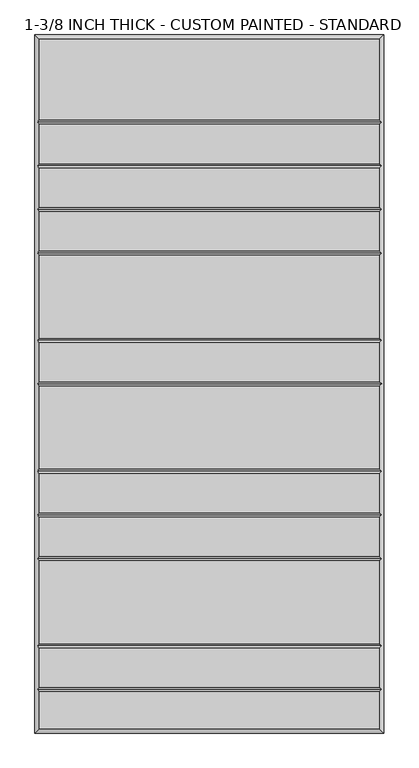
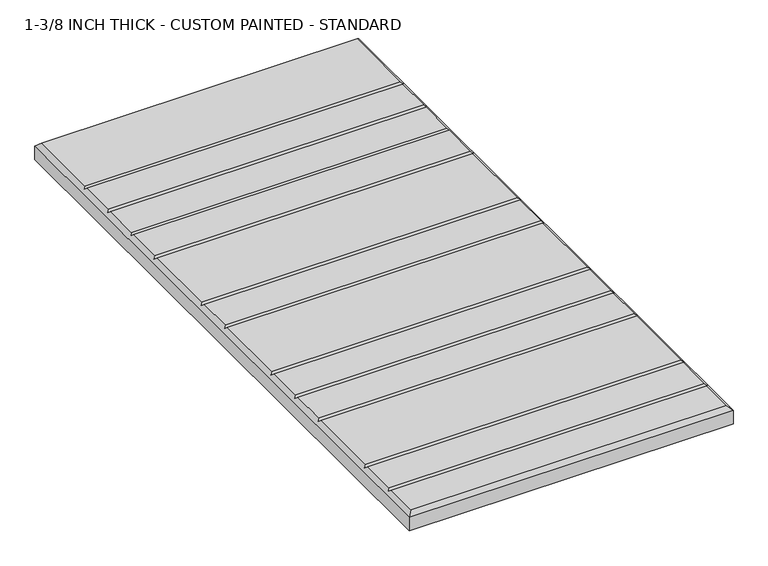
"""IFC4 building model written with IfcOpenShell, lengths in millimetres: proxy geometry, 1-3/8 INCH THICK - CUSTOM PAINTED - STANDARD."""

from ifc_helpers import new_model, si_unit, origin, place, context, project, spatial, faceted_brep, source, transform, mapped, element, save


def proxy_1_3_8_inch_thick_custom_painted_standard_0e09c2d3(model_context):
    return source(origin(), model_context, "Body", "Brep", [
        faceted_brep([(296.799, 601.599, 34.925), (-296.799, 601.599, 34.925), (-296.799, 461.2005, 34.925), (296.799, 461.2005, 34.925), (-296.799, -601.599, 34.925), (296.799, -601.599, 34.925), (296.799, -537.4005, 34.925), (-296.799, -537.4005, 34.925), (296.799, 376.9995, 34.925), (-296.799, 376.9995, 34.925), (-296.799, 308.8005, 34.925), (296.799, 308.8005, 34.925), (-296.799, 385.0005, 34.925), (296.799, 385.0005, 34.925), (296.799, 453.1995, 34.925), (-296.799, 453.1995, 34.925), (296.799, 300.7995, 34.925), (-296.799, 300.7995, 34.925), (-296.799, 232.6005, 34.925), (296.799, 232.6005, 34.925), (296.799, 224.5995, 34.925), (-296.799, 224.5995, 34.925), (-296.799, 80.2005, 34.925), (296.799, 80.2005, 34.925), (296.799, 72.1995, 34.925), (-296.799, 72.1995, 34.925), (-296.799, 4.0005, 34.925), (296.799, 4.0005, 34.925), (296.799, -4.0005, 34.925), (-296.799, -4.0005, 34.925), (-296.799, -148.3995, 34.925), (296.799, -148.3995, 34.925), (296.799, -156.4005, 34.925), (-296.799, -156.4005, 34.925), (-296.799, -224.5995, 34.925), (296.799, -224.5995, 34.925), (296.799, -232.6005, 34.925), (-296.799, -232.6005, 34.925), (-296.799, -300.7995, 34.925), (296.799, -300.7995, 34.925), (296.799, -308.8005, 34.925), (-296.799, -308.8005, 34.925), (-296.799, -453.1995, 34.925), (296.799, -453.1995, 34.925), (296.799, -461.2005, 34.925), (-296.799, -461.2005, 34.925), (-296.799, -529.3995, 34.925), (296.799, -529.3995, 34.925), (-304.8, 609.6, 0.0), (304.8, 609.6, 0.0), (304.8, -609.6, 0.0), (-304.8, -609.6, 0.0), (-304.8, -609.6, 26.924), (-304.8, 609.6, 26.924), (304.8, -609.6, 26.924), (304.8, 609.6, 26.924), (-300.7995, -533.4, 30.9245), (-300.7995, -457.2, 30.9245), (-300.7995, -304.8, 30.9245), (-300.7995, -228.6, 30.9245), (-300.7995, -152.4, 30.9245), (-300.7995, 0.0, 30.9245), (-300.7995, 76.2, 30.9245), (-300.7995, 228.6, 30.9245), (-300.7995, 304.8, 30.9245), (-300.7995, 381.0, 30.9245), (-300.7995, 457.2, 30.9245), (300.7995, 457.2, 30.9245), (300.7995, 381.0, 30.9245), (300.7995, 304.8, 30.9245), (300.7995, 228.6, 30.9245), (300.7995, 76.2, 30.9245), (300.7995, 0.0, 30.9245), (300.7995, -152.4, 30.9245), (300.7995, -228.6, 30.9245), (300.7995, -304.8, 30.9245), (300.7995, -457.2, 30.9245), (300.7995, -533.4, 30.9245)], [[[0, 1, 2, 3]], [[4, 5, 6, 7]], [[8, 9, 10, 11]], [[12, 13, 14, 15]], [[16, 17, 18, 19]], [[20, 21, 22, 23]], [[24, 25, 26, 27]], [[28, 29, 30, 31]], [[32, 33, 34, 35]], [[36, 37, 38, 39]], [[40, 41, 42, 43]], [[44, 45, 46, 47]], [[48, 49, 50, 51]], [[48, 51, 52, 53]], [[51, 50, 54, 52]], [[50, 49, 55, 54]], [[49, 48, 53, 55]], [[53, 1, 0, 55]], [[1, 53, 52, 4, 7, 56, 46, 45, 57, 42, 41, 58, 38, 37, 59, 34, 33, 60, 30, 29, 61, 26, 25, 62, 22, 21, 63, 18, 17, 64, 10, 9, 65, 12, 15, 66, 2]], [[4, 52, 54, 5]], [[55, 0, 3, 67, 14, 13, 68, 8, 11, 69, 16, 19, 70, 20, 23, 71, 24, 27, 72, 28, 31, 73, 32, 35, 74, 36, 39, 75, 40, 43, 76, 44, 47, 77, 6, 5, 54]], [[68, 65, 9, 8]], [[65, 68, 13, 12]], [[69, 64, 17, 16]], [[64, 69, 11, 10]], [[70, 63, 21, 20]], [[63, 70, 19, 18]], [[71, 62, 25, 24]], [[62, 71, 23, 22]], [[72, 61, 29, 28]], [[61, 72, 27, 26]], [[73, 60, 33, 32]], [[60, 73, 31, 30]], [[74, 59, 37, 36]], [[59, 74, 35, 34]], [[75, 58, 41, 40]], [[58, 75, 39, 38]], [[76, 57, 45, 44]], [[57, 76, 43, 42]], [[77, 56, 7, 6]], [[56, 77, 47, 46]], [[67, 66, 15, 14]], [[66, 67, 3, 2]]]),
    ])


if __name__ == "__main__":
    model = new_model("IFC4")
    model_context = context("Model", 3, world=origin())
    ifc_project = project(units=[si_unit("LENGTHUNIT", "METRE", prefix="MILLI")], contexts=[model_context])
    site = spatial("IfcSite", under=ifc_project)
    building = spatial("IfcBuilding", under=site)
    placement = place(None, origin())
    proxy_1_3_8_inch_thick_custom_painted_standard_shape = proxy_1_3_8_inch_thick_custom_painted_standard_0e09c2d3(model_context)
    element("IfcBuildingElementProxy", 1, Name="1-3/8 INCH THICK - CUSTOM PAINTED - STANDARD", ObjectType="1-3/8 INCH THICK - CUSTOM PAINTED - STANDARD", at=placement, inside=building, context=model_context, shape_type="MappedRepresentation", body=[
        mapped(proxy_1_3_8_inch_thick_custom_painted_standard_shape, transform((0.0, 0.0, 0.0), x_axis=(1.0, 0.0, 0.0), y_axis=(0.0, 1.0, 0.0), z_axis=(0.0, 0.0, 1.0))),
    ])
    save(model, "model.ifc")
